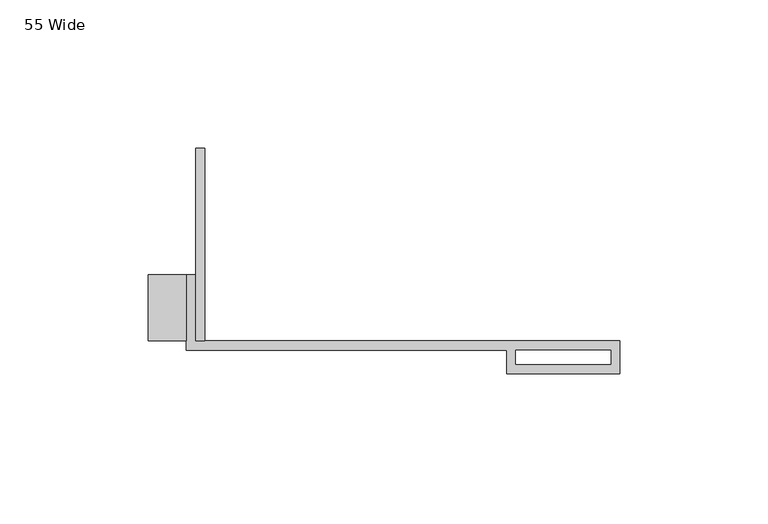
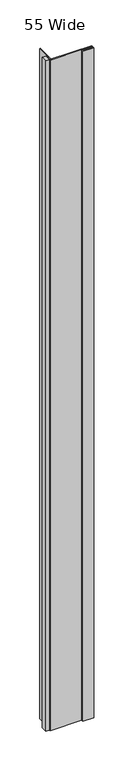
"""IFC4 building model written with IfcOpenShell, lengths in millimetres: proxy geometry, 55 Wide."""

from ifc_helpers import new_model, si_unit, origin, origin_with_axes, place, context, project, spatial, polyline, outline, extrude, source, transform, mapped, element, save


def proxy_55_wide_1b3d7dda(model_context):
    return source(origin(), model_context, "Body", "SweptSolid", [
        extrude(outline(polyline([(-101.6, 0.0), (-104.775, 0.0), (-104.775, 64.8607143), (-101.6, 64.8607143), (-101.6, 0.0)])), origin_with_axes(), (0.0, 0.0, 1.0), 2438.4),
        extrude(outline(polyline([(-107.95, 0.0), (-120.65, 0.0), (-120.65, 22.225), (-107.95, 22.225), (-107.95, 0.0)])), origin_with_axes(), (0.0, 0.0, 1.0), 2438.4),
        extrude(outline(polyline([(-107.95, 22.225), (-104.775, 22.225), (-104.775, 0.0), (38.1, 0.0), (38.1, -11.1125), (0.0, -11.1125), (0.0, -3.175), (-107.95, -3.175), (-107.95, 22.225)]), holes=[polyline([(3.175, -3.175), (3.175, -7.9375), (35.1499571, -7.9375), (35.1499571, -3.175), (3.175, -3.175)])]), origin_with_axes(), (0.0, 0.0, 1.0), 2438.4),
    ])


if __name__ == "__main__":
    model = new_model("IFC4")
    model_context = context("Model", 3, world=origin())
    ifc_project = project(units=[si_unit("LENGTHUNIT", "METRE", prefix="MILLI")], contexts=[model_context])
    site = spatial("IfcSite", under=ifc_project)
    building = spatial("IfcBuilding", under=site)
    placement = place(None, origin())
    proxy_55_wide_shape = proxy_55_wide_1b3d7dda(model_context)
    element("IfcBuildingElementProxy", 1, Name="55 Wide", ObjectType="55 Wide", at=placement, inside=building, context=model_context, shape_type="MappedRepresentation", body=[
        mapped(proxy_55_wide_shape, transform((0.0, 0.0, 0.0), x_axis=(1.0, 0.0, 0.0), y_axis=(0.0, 1.0, 0.0), z_axis=(0.0, 0.0, 1.0))),
    ])
    save(model, "model.ifc")
